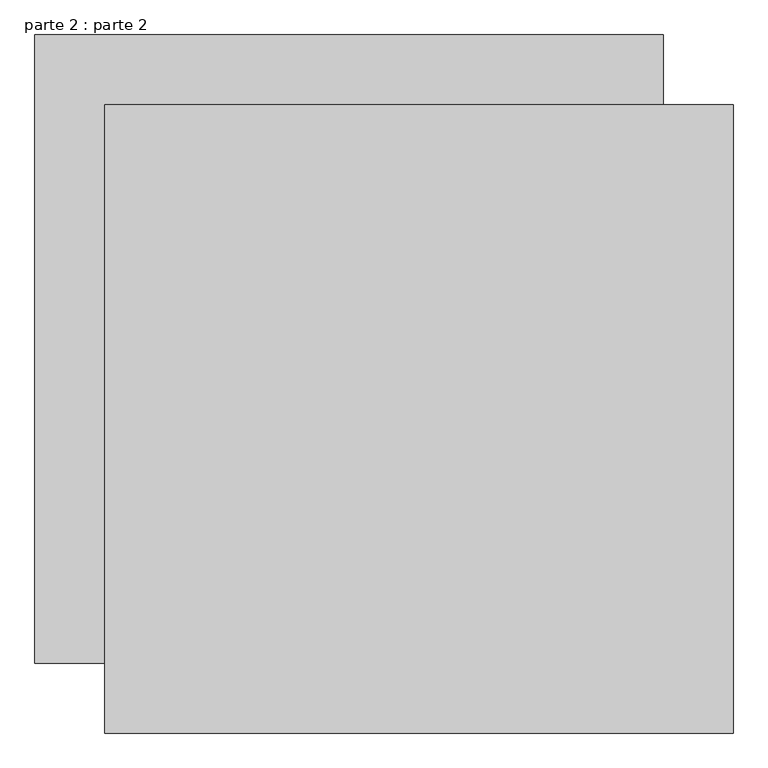
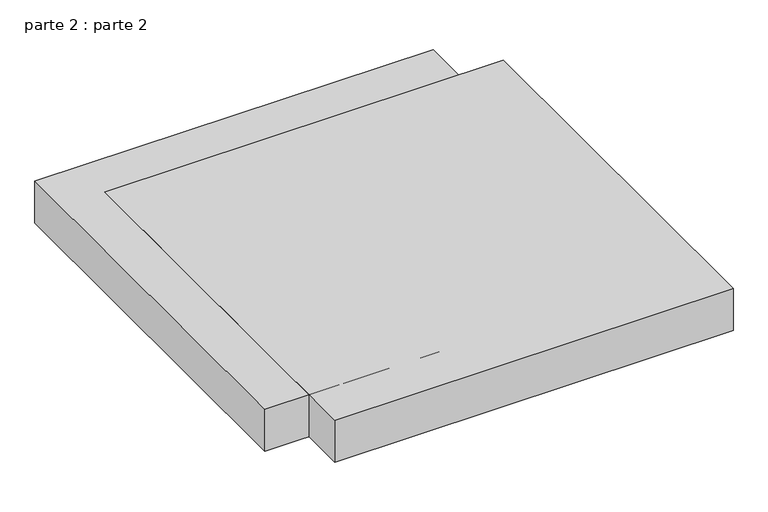
"""IFC4 building model written with IfcOpenShell, lengths in millimetres: proxy geometry, parte 2 : parte 2."""

import ifcopenshell
import ifcopenshell.guid

model = None  # the IFC model being written
_history = None  # IfcOwnerHistory: only IFC2X3 demands one
_inside = {}  # id of a spatial element -> (the spatial element, [elements in it])
_under = {}  # id of a project, library or spatial element -> (it, [spatial elements below it])
_declared = {}  # id of a project -> (the project, [libraries it declares])
_typed = {}  # id of a type object -> (the type object, [elements of that type])
_made_of = {}  # id of a material, layer set ... -> (it, [elements and type objects made of it])


def new_model(schema):
    """Start an empty IFC model of exactly this schema.

    Asked for "IFC4X3", IfcOpenShell would pick the latest addendum, in which some entities
    have other attributes; the version numbers below select the first issue.
    IFC2X3 requires an IfcOwnerHistory on every rooted entity: one is made here for all.
    """
    global model, _history
    if schema == "IFC4X3":
        model = ifcopenshell.file(schema_version=(4, 3, 0, 0))
    else:
        model = ifcopenshell.file(schema=schema)
    _inside.clear()
    _under.clear()
    _declared.clear()
    _typed.clear()
    _made_of.clear()
    _history = None
    if model.schema == "IFC2X3":
        org = make("IfcOrganization", Name="unknown")
        user = make(
            "IfcPersonAndOrganization",
            ThePerson=make("IfcPerson", FamilyName="unknown"),
            TheOrganization=org,
        )
        app = make(
            "IfcApplication",
            ApplicationDeveloper=org,
            Version="unknown",
            ApplicationFullName="unknown",
            ApplicationIdentifier="unknown",
        )
        _history = make(
            "IfcOwnerHistory",
            OwningUser=user,
            OwningApplication=app,
            ChangeAction="ADDED",
            CreationDate=0,
        )
    return model


def make(cls, **values):
    """One entity of the class cls with the attributes given. An attribute that is None is left unset."""
    return model.create_entity(
        cls, **{name: value for name, value in values.items() if value is not None}
    )


def rooted(cls, **values):
    """An entity with a GlobalId (a new one), such as an element, a storey or a relation."""
    return make(cls, GlobalId=ifcopenshell.guid.new(), OwnerHistory=_history, **values)


def si_unit(unit_type, name, prefix=None):
    """IfcSIUnit, for example si_unit("LENGTHUNIT", "METRE", prefix="MILLI")."""
    return make("IfcSIUnit", UnitType=unit_type, Prefix=prefix, Name=name)


def assignment(units):
    """IfcUnitAssignment: the units of a project."""
    return None if units is None else make("IfcUnitAssignment", Units=units)


def point(xyz):
    """IfcCartesianPoint."""
    return None if xyz is None else make("IfcCartesianPoint", Coordinates=xyz)


def direction(xyz):
    """IfcDirection."""
    return None if xyz is None else make("IfcDirection", DirectionRatios=xyz)


def frame(location, z_axis=None, x_axis=None):
    """IfcAxis2Placement3D, a coordinate frame: its origin and axes. An axis left out is left unset."""
    return make(
        "IfcAxis2Placement3D",
        Location=point(location),
        Axis=direction(z_axis),
        RefDirection=direction(x_axis),
    )


def origin():
    """The frame at (0, 0, 0) with its axes left unset."""
    return frame((0.0, 0.0, 0.0))


def place(relative_to, where):
    """IfcLocalPlacement: puts the frame where relative to a parent placement (None: the world)."""
    return make(
        "IfcLocalPlacement", PlacementRelTo=relative_to, RelativePlacement=where
    )


def context(
    kind, dimensions, precision=None, world=None, true_north=None, identifier=None
):
    """IfcGeometricRepresentationContext, for example the 3D "Model" context."""
    return make(
        "IfcGeometricRepresentationContext",
        ContextIdentifier=identifier,
        ContextType=kind,
        CoordinateSpaceDimension=dimensions,
        Precision=precision,
        WorldCoordinateSystem=world,
        TrueNorth=true_north,
    )


def project(units=None, contexts=None):
    """IfcProject with its units and contexts."""
    return rooted(
        "IfcProject",
        Name="project",
        RepresentationContexts=contexts,
        UnitsInContext=assignment(units),
    )


def spatial(cls, under=None, at=None, **own):
    """A site, building, storey or space (cls), placed at a placement, below another one or the project."""
    s = rooted(cls, ObjectPlacement=at, **own)
    if under is not None:
        _under.setdefault(under.id(), (under, []))[1].append(s)
    return s


def polyline(points):
    """IfcPolyline through the points."""
    return make("IfcPolyline", Points=[point(p) for p in points])


def outline(outer, holes=None, kind="AREA"):
    """IfcArbitraryClosedProfileDef: a profile drawn as a closed curve; with holes, ...WithVoids."""
    if holes is None:
        return make("IfcArbitraryClosedProfileDef", ProfileType=kind, OuterCurve=outer)
    return make(
        "IfcArbitraryProfileDefWithVoids",
        ProfileType=kind,
        OuterCurve=outer,
        InnerCurves=holes,
    )


def extrude(swept, where, along, depth):
    """IfcExtrudedAreaSolid: the profile swept, set in the frame where, extruded along a direction by depth."""
    return make(
        "IfcExtrudedAreaSolid",
        SweptArea=swept,
        Position=where,
        ExtrudedDirection=direction(along),
        Depth=depth,
    )


def shape(context_of_items, identifier, shape_type, items):
    """IfcShapeRepresentation: the items that make up one representation, for example the "Body"."""
    return make(
        "IfcShapeRepresentation",
        ContextOfItems=context_of_items,
        RepresentationIdentifier=identifier,
        RepresentationType=shape_type,
        Items=items,
    )


def source(mapping_origin, context_of_items, identifier, shape_type, items):
    """IfcRepresentationMap: a shape defined once, which mapped items show again and again."""
    return make(
        "IfcRepresentationMap",
        MappingOrigin=mapping_origin,
        MappedRepresentation=shape(context_of_items, identifier, shape_type, items),
    )


def transform(
    local_origin,
    x_axis=None,
    y_axis=None,
    z_axis=None,
    scale=None,
    scale2=None,
    scale3=None,
    uniform=True,
):
    """IfcCartesianTransformationOperator3D, or its non-uniform kind. x_axis, y_axis, z_axis: its Axis1, 2, 3."""
    if uniform:
        return make(
            "IfcCartesianTransformationOperator3D",
            Axis1=direction(x_axis),
            Axis2=direction(y_axis),
            LocalOrigin=point(local_origin),
            Scale=scale,
            Axis3=direction(z_axis),
        )
    return make(
        "IfcCartesianTransformationOperator3DnonUniform",
        Axis1=direction(x_axis),
        Axis2=direction(y_axis),
        LocalOrigin=point(local_origin),
        Scale=scale,
        Axis3=direction(z_axis),
        Scale2=scale2,
        Scale3=scale3,
    )


def mapped(mapping_source, mapping_target):
    """IfcMappedItem: shows the shape of a source again, moved by a transform."""
    return make(
        "IfcMappedItem", MappingSource=mapping_source, MappingTarget=mapping_target
    )


def made_of(thing, what):
    """Note that an element or type object is made of a material, layer set ...; save() writes the relation."""
    if what is not None:
        _made_of.setdefault(what.id(), (what, []))[1].append(thing)
    return thing


def element(
    cls,
    number,
    at=None,
    inside=None,
    cuts=None,
    type_object=None,
    material=None,
    context=None,
    identifier="Body",
    shape_type=None,
    held_by="IfcProductDefinitionShape",
    body=None,
    shapes=None,
    **own,
):
    """One element of the class cls, such as IfcWall. Its Tag is "e" and its number.

    at: its placement. inside: the storey or other place that contains it. cuts: it is an
    opening in that element (IfcRelVoidsElement). A single representation is given by context,
    identifier, shape_type and body (its items); several are given by shapes. held_by: the class
    of the entity that holds the representations. save() writes the other relations.
    """
    e = rooted(cls, Tag="e%d" % number, ObjectPlacement=at, **own)
    if body is not None:
        shapes = [shape(context, identifier, shape_type, body)]
    if shapes is not None:
        e.Representation = make(held_by, Representations=shapes)
    if inside is not None:
        _inside.setdefault(inside.id(), (inside, []))[1].append(e)
    if cuts is not None:
        rooted(
            "IfcRelVoidsElement", RelatingBuildingElement=cuts, RelatedOpeningElement=e
        )
    if type_object is not None:
        _typed.setdefault(type_object.id(), (type_object, []))[1].append(e)
    return made_of(e, material)


def aggregate(whole, parts):
    """IfcRelAggregates: a whole, such as a stair, and the parts it consists of."""
    return rooted("IfcRelAggregates", RelatingObject=whole, RelatedObjects=parts)


def save(model, path):
    """Write the relations noted so far, then the file.

    IfcRelAggregates (storeys below a building ...), IfcRelContainedInSpatialStructure (elements
    in a storey), IfcRelDefinesByType, IfcRelAssociatesMaterial and IfcRelDeclares: one each for
    every whole, place, type object, material and project.
    """
    for whole, parts in _under.values():
        aggregate(whole, parts)
    for where, things in _inside.values():
        rooted(
            "IfcRelContainedInSpatialStructure",
            RelatedElements=things,
            RelatingStructure=where,
        )
    for kind, things in _typed.values():
        rooted("IfcRelDefinesByType", RelatedObjects=things, RelatingType=kind)
    for what, things in _made_of.values():
        rooted("IfcRelAssociatesMaterial", RelatedObjects=things, RelatingMaterial=what)
    for by, libraries in _declared.values():
        rooted("IfcRelDeclares", RelatingContext=by, RelatedDefinitions=libraries)
    model.write(path)


def parte_2_parte_2_e9dcf80d(model_context):
    return source(origin(), model_context, "Body", "SweptSolid", [
        extrude(outline(polyline([(1000.0, 900.0), (1000.0, 0.0), (100.0, 0.0), (100.0, 900.0), (1000.0, 900.0)])), frame((0.0, 0.0, 2000.0), z_axis=(0.0, 0.0, 1.0), x_axis=(1.0, 0.0, 0.0)), (0.0, 0.0, 1.0), 100.0),
        extrude(outline(polyline([(900.0, 1000.0), (900.0, 100.0), (0.0, 100.0), (0.0, 1000.0), (900.0, 1000.0)])), frame((0.0, 0.0, 2000.0), z_axis=(0.0, 0.0, 1.0), x_axis=(1.0, 0.0, 0.0)), (0.0, 0.0, 1.0), 100.0),
    ])


if __name__ == "__main__":
    model = new_model("IFC4")
    model_context = context("Model", 3, world=origin())
    ifc_project = project(units=[si_unit("LENGTHUNIT", "METRE", prefix="MILLI")], contexts=[model_context])
    site = spatial("IfcSite", under=ifc_project)
    building = spatial("IfcBuilding", under=site)
    placement = place(None, origin())
    parte_2_parte_2_shape = parte_2_parte_2_e9dcf80d(model_context)
    element("IfcBuildingElementProxy", 1, Name="parte 2 : parte 2", ObjectType="parte 2 : parte 2", at=placement, inside=building, context=model_context, shape_type="MappedRepresentation", body=[
        mapped(parte_2_parte_2_shape, transform((0.0, 0.0, 0.0), x_axis=(1.0, 0.0, 0.0), y_axis=(0.0, 1.0, 0.0), z_axis=(0.0, 0.0, 1.0))),
    ])
    save(model, "model.ifc")
